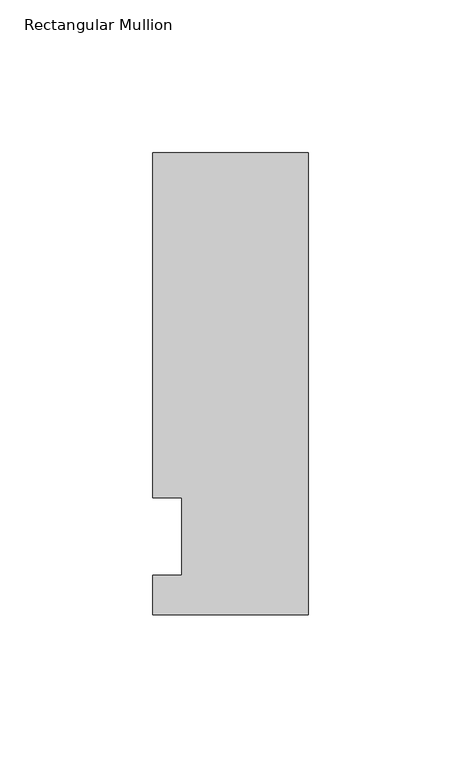
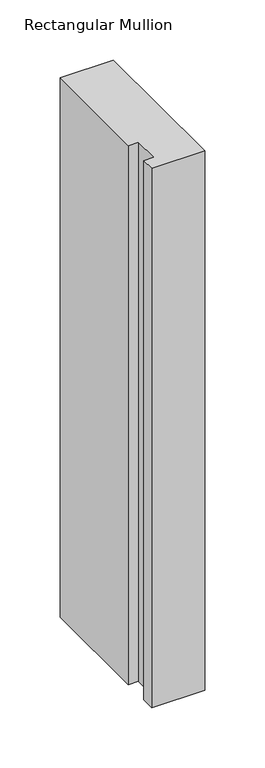
"""IFC4 building model written with IfcOpenShell, lengths in millimetres: member geometry, Rectangular Mullion."""

from ifc_helpers import new_model, si_unit, frame, origin, place, context, project, spatial, polyline, outline, extrude, source, transform, mapped, element, save


def rectangular_mullion_c5376940(model_context):
    return source(origin(), model_context, "Body", "SweptSolid", [
        extrude(outline(polyline([(-50.8, -25.5984375), (-50.8, -12.7), (-41.275, -12.7), (-41.275, 12.7), (-50.8, 12.7), (-50.8, 125.6109375), (0.0, 125.6109375), (0.0, -25.5984375), (-50.8, -25.5984375)])), frame((0.0, 0.0, -545.7391064), z_axis=(0.0, 0.0, 1.0), x_axis=(1.0, 0.0, 0.0)), (0.0, 0.0, 1.0), 545.7391064),
    ])


if __name__ == "__main__":
    model = new_model("IFC4")
    model_context = context("Model", 3, world=origin())
    ifc_project = project(units=[si_unit("LENGTHUNIT", "METRE", prefix="MILLI")], contexts=[model_context])
    site = spatial("IfcSite", under=ifc_project)
    building = spatial("IfcBuilding", under=site)
    placement = place(None, origin())
    rectangular_mullion_shape = rectangular_mullion_c5376940(model_context)
    element("IfcMember", 1, ObjectType="Rectangular Mullion", at=placement, inside=building, context=model_context, shape_type="MappedRepresentation", body=[
        mapped(rectangular_mullion_shape, transform((0.0, 0.0, 0.0), x_axis=(1.0, 0.0, 0.0), y_axis=(0.0, 1.0, 0.0), z_axis=(0.0, 0.0, 1.0))),
    ])
    save(model, "model.ifc")
